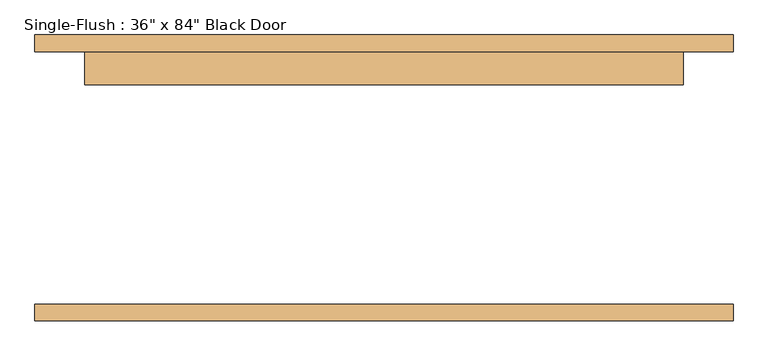
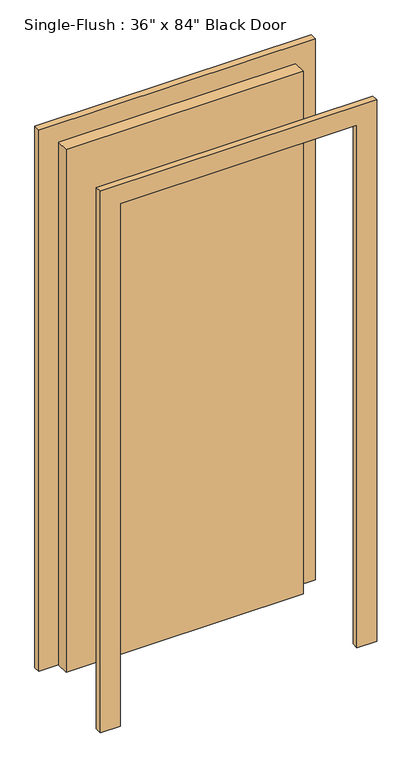
"""IFC4 building model written with IfcOpenShell, lengths in millimetres: door geometry."""

from ifc_helpers import new_model, si_unit, frame, origin, origin_with_axes, place, context, project, spatial, polyline, outline, extrude, source, transform, mapped, element, save


def door_354c7b4a(model_context):
    return source(origin(), model_context, "Body", "SweptSolid", [
        extrude(outline(polyline([(2209.8, -533.4), (0.0, -533.4), (0.0, -457.2), (2133.6, -457.2), (2133.6, 457.2), (0.0, 457.2), (0.0, 533.4), (2209.8, 533.4), (2209.8, -533.4)])), frame((0.0, 193.0003125, 0.0), z_axis=(0.0, 1.0, 0.0), x_axis=(0.0, 0.0, 1.0)), (0.0, 0.0, 1.0), 25.4),
        extrude(outline(polyline([(2209.8, 533.4), (2209.8, -533.4), (0.0, -533.4), (0.0, -457.2), (2133.6, -457.2), (2133.6, 457.2), (0.0, 457.2), (0.0, 533.4), (2209.8, 533.4)])), frame((0.0, -218.4003125, 0.0), z_axis=(0.0, 1.0, 0.0), x_axis=(0.0, 0.0, 1.0)), (0.0, 0.0, 1.0), 25.4),
        extrude(outline(polyline([(457.2, 142.2003125), (-457.2, 142.2003125), (-457.2, 193.0003125), (457.2, 193.0003125), (457.2, 142.2003125)])), origin_with_axes(), (0.0, 0.0, 1.0), 2133.6),
    ])


if __name__ == "__main__":
    model = new_model("IFC4")
    model_context = context("Model", 3, world=origin())
    ifc_project = project(units=[si_unit("LENGTHUNIT", "METRE", prefix="MILLI")], contexts=[model_context])
    site = spatial("IfcSite", under=ifc_project)
    building = spatial("IfcBuilding", under=site)
    placement = place(None, origin())
    door_shape = door_354c7b4a(model_context)
    element("IfcDoor", 1, ObjectType="Single-Flush : 36\" x 84\" Black Door", at=placement, inside=building, context=model_context, shape_type="MappedRepresentation", body=[
        mapped(door_shape, transform((0.0, 0.0, 0.0), x_axis=(1.0, 0.0, 0.0), y_axis=(0.0, 1.0, 0.0), z_axis=(0.0, 0.0, 1.0))),
    ])
    save(model, "model.ifc")
